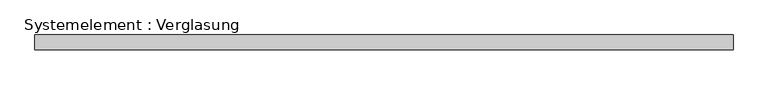
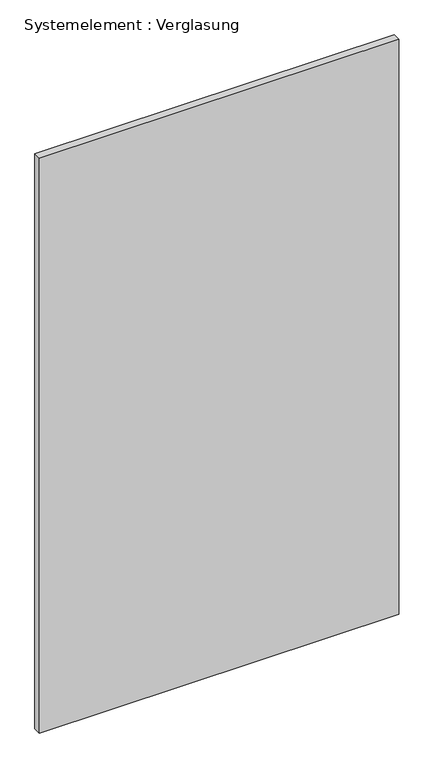
"""IFC4 building model written with IfcOpenShell, lengths in millimetres: plate geometry, Systemelement : Verglasung."""

from ifc_helpers import new_model, si_unit, origin, origin_with_axes, place, context, project, spatial, polyline, outline, extrude, source, transform, mapped, element, save


def systemelement_verglasung_30e3bc24(model_context):
    return source(origin(), model_context, "Body", "SweptSolid", [
        extrude(outline(polyline([(712.8125, -15.0), (-712.8125, -15.0), (-712.8125, 15.0), (712.8125, 15.0), (712.8125, -15.0)])), origin_with_axes(), (0.0, 0.0, 1.0), 2410.0),
    ])


if __name__ == "__main__":
    model = new_model("IFC4")
    model_context = context("Model", 3, world=origin())
    ifc_project = project(units=[si_unit("LENGTHUNIT", "METRE", prefix="MILLI")], contexts=[model_context])
    site = spatial("IfcSite", under=ifc_project)
    building = spatial("IfcBuilding", under=site)
    placement = place(None, origin())
    systemelement_verglasung_shape = systemelement_verglasung_30e3bc24(model_context)
    element("IfcPlate", 1, ObjectType="Systemelement : Verglasung", at=placement, inside=building, context=model_context, shape_type="MappedRepresentation", body=[
        mapped(systemelement_verglasung_shape, transform((0.0, 0.0, 0.0), x_axis=(1.0, 0.0, 0.0), y_axis=(0.0, 1.0, 0.0), z_axis=(0.0, 0.0, 1.0))),
    ])
    save(model, "model.ifc")
